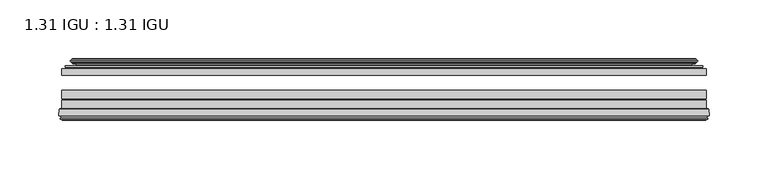
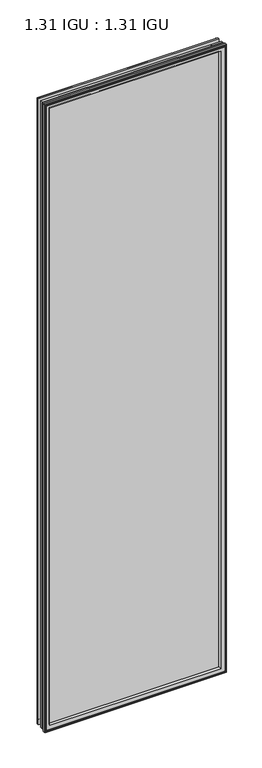
"""IFC4 building model written with IfcOpenShell, lengths in millimetres: plate geometry, 1.31 IGU : 1.31 IGU."""

from ifc_helpers import new_model, si_unit, frame, origin, place, context, project, spatial, polyline, ellipse_curve, outline, extrude, source, transform, mapped, element, save
from ifc_brep_helpers import plane_surface, cylinder_surface, revolved_surface, advanced_brep


def plate_1_31_igu_1_31_igu_1d6c99b7(model_context):
    return source(origin(), model_context, "Body", "SolidModel", [
        extrude(outline(polyline([(274.6325649, -44.8960875), (274.6325649, -50.4332875), (-274.6375, -50.4332875), (-274.6375, -44.8960875), (274.6325649, -44.8960875)])), frame((0.0, 0.0, -14.2875), z_axis=(0.0, 0.0, 1.0), x_axis=(1.0, 0.0, 0.0)), (0.0, 0.0, 1.0), 2009.67848),
        extrude(outline(polyline([(-274.6375, -78.7796875), (-274.6375, -71.7692875), (274.6325649, -71.7692875), (274.6325649, -78.7796875), (-274.6375, -78.7796875)])), frame((0.0, 0.0, -14.2875), z_axis=(0.0, 0.0, 1.0), x_axis=(1.0, 0.0, 0.0)), (0.0, 0.0, 1.0), 2009.67848),
        extrude(outline(polyline([(-274.6375, -70.2452875), (-274.6375, -63.1332875), (274.6325649, -63.1332875), (274.6325649, -70.2452875), (-274.6375, -70.2452875)])), frame((0.0, 0.0, -14.2875), z_axis=(0.0, 0.0, 1.0), x_axis=(1.0, 0.0, 0.0)), (0.0, 0.0, 1.0), 2009.67848),
        advanced_brep(
        [(-277.1844039, -85.1296875, 1997.9378839), (-276.4896201, -79.4711276, 1997.2431001), (-276.4896201, -79.4711276, -16.1396201), (-277.1844039, -85.1296875, -16.8344039), (-274.7968039, -87.1207518, 1995.5502839), (-275.2540039, -85.1296875, 1996.0074839), (-275.2540039, -85.1296875, -14.9040039), (-274.7968039, -87.1207518, -14.4468039), (-275.7981658, -86.8524376, 1996.5516458), (-275.7981658, -86.8524376, -15.4481658), (-276.0414039, -87.7602147, 1996.7948839), (-276.0414039, -87.7602147, -15.6914039), (-274.0094039, -88.3046875, 1994.7628839), (-274.0094039, -88.3046875, -13.6594039), (-271.9774039, -87.7602147, 1992.7308839), (-271.9774039, -87.7602147, -11.6274039), (-272.2206421, -86.8524376, 1992.9741221), (-272.2206421, -86.8524376, -11.8706421), (-273.2220039, -87.1207518, 1993.9754839), (-273.2220039, -87.1207518, -12.8720039), (-272.7648039, -85.1296875, 1993.5182839), (-272.7648039, -85.1296875, -12.4148039), (-275.7080893, -78.7796875, 1996.4615693), (-275.7080893, -78.7796875, -15.3580893), (276.4896201, -79.4711276, -16.1396201), (277.1844039, -85.1296875, -16.8344039), (275.2540039, -85.1296875, -14.9040039), (274.7968039, -87.1207518, -14.4468039), (275.7981658, -86.8524376, -15.4481658), (276.0414039, -87.7602147, -15.6914039), (274.0094039, -88.3046875, -13.6594039), (271.9774039, -87.7602147, -11.6274039), (272.2206421, -86.8524376, -11.8706421), (273.2220039, -87.1207518, -12.8720039), (272.7648039, -85.1296875, -12.4148039), (275.7080893, -78.7796875, -15.3580893), (276.4896201, -79.4711276, 1997.2431001), (277.1844039, -85.1296875, 1997.9378839), (275.2540039, -85.1296875, 1996.0074839), (274.7968039, -87.1207518, 1995.5502839), (275.7981658, -86.8524376, 1996.5516458), (276.0414039, -87.7602147, 1996.7948839), (274.0094039, -88.3046875, 1994.7628839), (271.9774039, -87.7602147, 1992.7308839), (272.2206421, -86.8524376, 1992.9741221), (273.2220039, -87.1207518, 1993.9754839), (272.7648039, -85.1296875, 1993.5182839), (275.7080893, -78.7796875, 1996.4615693), (-260.3622131, -85.1296875, 1981.1156931), (260.3622131, -85.1296875, 1981.1156931), (260.3622131, -85.1296875, -0.0122131), (-260.3622131, -85.1296875, -0.0122131), (-257.0459362, -78.7796875, 3.3040638), (257.0459362, -78.7796875, 3.3040638), (257.0459362, -78.7796875, 1977.7994162), (-257.0459362, -78.7796875, 1977.7994162)],
        [
            (0, 1),
            (1, 2),
            (2, 3),
            (3, 0),
            (4, 5),
            (5, 6),
            (6, 7),
            (7, 4),
            (8, 4),
            (7, 9),
            (9, 8),
            (10, 8),
            (9, 11),
            (11, 10),
            (12, 10),
            (11, 13),
            (13, 12),
            (14, 12),
            (13, 15),
            (15, 14),
            (16, 14),
            (15, 17),
            (17, 16),
            (18, 16),
            (17, 19),
            (19, 18),
            (20, 18),
            (19, 21),
            (21, 20),
            (1, 22, ellipse_curve(frame((-275.7080893, -79.5670875, 1996.4615693), z_axis=(-0.7071067811865475, 0.0, -0.7071067811865475), x_axis=(-0.7071067811865474, 0.0, 0.7071067811865476)), 1.1135518, 0.7874)),
            (22, 23),
            (23, 2, ellipse_curve(frame((-275.7080893, -79.5670875, -15.3580893), z_axis=(-0.7071067811865475, 0.0, 0.7071067811865475), x_axis=(0.7071067811865474, 0.0, 0.7071067811865476)), 1.1135518, 0.7874)),
            (2, 24),
            (24, 25),
            (25, 3),
            (6, 26),
            (26, 27),
            (27, 7),
            (27, 28),
            (28, 9),
            (28, 29),
            (29, 11),
            (29, 30),
            (30, 13),
            (30, 31),
            (31, 15),
            (31, 32),
            (32, 17),
            (32, 33),
            (33, 19),
            (33, 34),
            (34, 21),
            (23, 35),
            (35, 24, ellipse_curve(frame((275.7080893, -79.5670875, -15.3580893), z_axis=(-0.7071067811865475, 0.0, -0.7071067811865475), x_axis=(-0.7071067811865476, 0.0, 0.7071067811865474)), 1.1135518, 0.7874)),
            (24, 36),
            (36, 37),
            (37, 25),
            (26, 38),
            (38, 39),
            (39, 27),
            (39, 40),
            (40, 28),
            (40, 41),
            (41, 29),
            (41, 42),
            (42, 30),
            (42, 43),
            (43, 31),
            (43, 44),
            (44, 32),
            (44, 45),
            (45, 33),
            (45, 46),
            (46, 34),
            (35, 47),
            (47, 36, ellipse_curve(frame((275.7080893, -79.5670875, 1996.4615693), z_axis=(0.7071067811865475, 0.0, -0.7071067811865475), x_axis=(-0.7071067811865474, 0.0, -0.7071067811865476)), 1.1135518, 0.7874)),
            (36, 1),
            (0, 37),
            (5, 38),
            (4, 39),
            (8, 40),
            (10, 41),
            (12, 42),
            (14, 43),
            (16, 44),
            (18, 45),
            (20, 46),
            (48, 49),
            (49, 50),
            (50, 51),
            (51, 48),
            (22, 47),
            (52, 53),
            (53, 54),
            (54, 55),
            (55, 52),
            (55, 48, ellipse_curve(frame((-249.1129182, -86.963653, 1969.8663982), z_axis=(0.7071067811865475, 0.0, 0.7071067811865475), x_axis=(0.7071067811865474, 0.0, -0.7071067811865476)), 16.118937, 11.3978097)),
            (51, 52, ellipse_curve(frame((-249.1129182, -86.963653, 11.2370818), z_axis=(0.7071067811865475, 0.0, -0.7071067811865475), x_axis=(-0.7071067811865474, 0.0, -0.7071067811865476)), 16.118937, 11.3978097)),
            (50, 53, ellipse_curve(frame((249.1129182, -86.963653, 11.2370818), z_axis=(0.7071067811865475, 0.0, 0.7071067811865475), x_axis=(0.7071067811865476, 0.0, -0.7071067811865474)), 16.118937, 11.3978097)),
            (49, 54, ellipse_curve(frame((249.1129182, -86.963653, 1969.8663982), z_axis=(-0.7071067811865475, 0.0, 0.7071067811865475), x_axis=(0.7071067811865474, 0.0, 0.7071067811865476)), 16.118937, 11.3978097)),
        ],
        [
            plane_surface(frame((-276.4896201, -79.4711276, 1997.2431001), z_axis=(-0.9925461516413008, 0.12186934340532068, 0.0), x_axis=(0.0, 0.0, -1.0))),
            plane_surface(frame((-275.2540039, -85.1296875, 1996.0074839), z_axis=(-0.9746347637895997, -0.22380142361654332, 0.0), x_axis=(0.0, 0.0, -1.0))),
            plane_surface(frame((-274.7968039, -87.1207518, 1995.5502839), z_axis=(0.25881904510266784, 0.9659258262890289, 0.0), x_axis=(0.0, 0.0, -1.0))),
            plane_surface(frame((-275.7981658, -86.8524376, 1996.5516458), z_axis=(-0.9659258262890449, 0.2588190451026083, 0.0), x_axis=(0.0, 0.0, -1.0))),
            plane_surface(frame((-276.0414039, -87.7602147, 1996.7948839), z_axis=(-0.2588190451025689, -0.9659258262890554, 0.0), x_axis=(0.0, 0.0, -1.0))),
            plane_surface(frame((-274.0094039, -88.3046875, 1994.7628839), z_axis=(0.25881904510241466, -0.9659258262890968, 0.0), x_axis=(0.0, 0.0, -1.0))),
            plane_surface(frame((-271.9774039, -87.7602147, 1992.7308839), z_axis=(0.9659258262890272, 0.25881904510267406, 0.0), x_axis=(0.0, 0.0, -1.0))),
            plane_surface(frame((-272.2206421, -86.8524376, 1992.9741221), z_axis=(-0.25881904510234177, 0.9659258262891163, 0.0), x_axis=(0.0, 0.0, -1.0))),
            plane_surface(frame((-273.2220039, -87.1207518, 1993.9754839), z_axis=(0.9746347637895936, -0.2238014236165695, 0.0), x_axis=(0.0, 0.0, -1.0))),
            cylinder_surface(frame((-275.7080893, -79.5670875, 2012.85348), z_axis=(0.0, 0.0, 1.0), x_axis=(-1.0, 0.0, 0.0)), 0.7874),
            plane_surface(frame((-276.4896201, -79.4711276, -16.1396201), z_axis=(0.0, 0.12186934340531747, -0.9925461516413012), x_axis=(1.0, 0.0, 0.0))),
            plane_surface(frame((-275.2540039, -85.1296875, -14.9040039), z_axis=(0.0, -0.22380142361654648, -0.9746347637895989), x_axis=(1.0, 0.0, 0.0))),
            plane_surface(frame((-274.7968039, -87.1207518, -14.4468039), z_axis=(0.0, 0.9659258262890298, 0.25881904510266474), x_axis=(1.0, 0.0, 0.0))),
            plane_surface(frame((-275.7981658, -86.8524376, -15.4481658), z_axis=(0.0, 0.25881904510260517, -0.9659258262890458), x_axis=(1.0, 0.0, 0.0))),
            plane_surface(frame((-276.0414039, -87.7602147, -15.6914039), z_axis=(0.0, -0.9659258262890563, -0.2588190451025658), x_axis=(1.0, 0.0, 0.0))),
            plane_surface(frame((-274.0094039, -88.3046875, -13.6594039), z_axis=(0.0, -0.965925826289096, 0.25881904510241777), x_axis=(1.0, 0.0, 0.0))),
            plane_surface(frame((-271.9774039, -87.7602147, -11.6274039), z_axis=(0.0, 0.2588190451026772, 0.9659258262890265), x_axis=(1.0, 0.0, 0.0))),
            plane_surface(frame((-272.2206421, -86.8524376, -11.8706421), z_axis=(0.0, 0.9659258262891154, -0.2588190451023449), x_axis=(1.0, 0.0, 0.0))),
            plane_surface(frame((-273.2220039, -87.1207518, -12.8720039), z_axis=(0.0, -0.22380142361656633, 0.9746347637895943), x_axis=(1.0, 0.0, 0.0))),
            cylinder_surface(frame((-292.1, -79.5670875, -15.3580893), z_axis=(-1.0, 0.0, 0.0), x_axis=(0.0, 0.0, -1.0)), 0.7874),
            plane_surface(frame((276.4896201, -79.4711276, -16.1396201), z_axis=(0.9925461516413017, 0.12186934340531425, 0.0), x_axis=(0.0, 0.0, 1.0))),
            plane_surface(frame((275.2540039, -85.1296875, -14.9040039), z_axis=(0.9746347637895981, -0.22380142361654964, 0.0), x_axis=(0.0, 0.0, 1.0))),
            plane_surface(frame((274.7968039, -87.1207518, -14.4468039), z_axis=(-0.2588190451026616, 0.9659258262890307, 0.0), x_axis=(0.0, 0.0, 1.0))),
            plane_surface(frame((275.7981658, -86.8524376, -15.4481658), z_axis=(0.9659258262890467, 0.25881904510260206, 0.0), x_axis=(0.0, 0.0, 1.0))),
            plane_surface(frame((276.0414039, -87.7602147, -15.6914039), z_axis=(0.2588190451025627, -0.9659258262890572, 0.0), x_axis=(0.0, 0.0, 1.0))),
            plane_surface(frame((274.0094039, -88.3046875, -13.6594039), z_axis=(-0.2588190451024209, -0.9659258262890951, 0.0), x_axis=(0.0, 0.0, 1.0))),
            plane_surface(frame((271.9774039, -87.7602147, -11.6274039), z_axis=(-0.9659258262890256, 0.25881904510268033, 0.0), x_axis=(0.0, 0.0, 1.0))),
            plane_surface(frame((272.2206421, -86.8524376, -11.8706421), z_axis=(0.25881904510234804, 0.9659258262891146, 0.0), x_axis=(0.0, 0.0, 1.0))),
            plane_surface(frame((273.2220039, -87.1207518, -12.8720039), z_axis=(-0.9746347637895951, -0.22380142361656316, 0.0), x_axis=(0.0, 0.0, 1.0))),
            cylinder_surface(frame((275.7080893, -79.5670875, -31.75), z_axis=(0.0, 0.0, -1.0), x_axis=(1.0, 0.0, 0.0)), 0.7874),
            plane_surface(frame((276.4896201, -79.4711276, 1997.2431001), z_axis=(0.0, 0.12186934340531747, 0.9925461516413012), x_axis=(-1.0, 0.0, 0.0))),
            plane_surface(frame((277.1844039, -85.1296875, 1997.9378839), z_axis=(0.0, -1.0, 0.0), x_axis=(-1.0, 0.0, 0.0))),
            plane_surface(frame((275.2540039, -85.1296875, 1996.0074839), z_axis=(0.0, -0.22380142361654648, 0.9746347637895989), x_axis=(-1.0, 0.0, 0.0))),
            plane_surface(frame((274.7968039, -87.1207518, 1995.5502839), z_axis=(0.0, 0.9659258262890298, -0.25881904510266474), x_axis=(-1.0, 0.0, 0.0))),
            plane_surface(frame((275.7981658, -86.8524376, 1996.5516458), z_axis=(0.0, 0.25881904510260517, 0.9659258262890458), x_axis=(-1.0, 0.0, 0.0))),
            plane_surface(frame((276.0414039, -87.7602147, 1996.7948839), z_axis=(0.0, -0.9659258262890563, 0.2588190451025658), x_axis=(-1.0, 0.0, 0.0))),
            plane_surface(frame((274.0094039, -88.3046875, 1994.7628839), z_axis=(0.0, -0.965925826289096, -0.25881904510241777), x_axis=(-1.0, 0.0, 0.0))),
            plane_surface(frame((271.9774039, -87.7602147, 1992.7308839), z_axis=(0.0, 0.2588190451026772, -0.9659258262890265), x_axis=(-1.0, 0.0, 0.0))),
            plane_surface(frame((272.2206421, -86.8524376, 1992.9741221), z_axis=(0.0, 0.9659258262891155, 0.25881904510234494), x_axis=(-1.0, 0.0, 0.0))),
            plane_surface(frame((273.2220039, -87.1207518, 1993.9754839), z_axis=(0.0, -0.22380142361656633, -0.9746347637895943), x_axis=(-1.0, 0.0, 0.0))),
            plane_surface(frame((272.7648039, -85.1296875, 1993.5182839), z_axis=(0.0, -1.0, 0.0), x_axis=(-1.0, 0.0, 0.0))),
            plane_surface(frame((257.0459362, -78.7796875, 1977.7994162), z_axis=(0.0, 1.0, 0.0), x_axis=(-1.0, 0.0, 0.0))),
            cylinder_surface(frame((292.1, -79.5670875, 1996.4615693), z_axis=(1.0, 0.0, 0.0), x_axis=(0.0, 0.0, 1.0)), 0.7874),
            revolved_surface(polyline([(-260.5107279, -86.963653, -0.1607278582187064), (-260.5107279, -86.963653, 1981.2642078582187)]), (-249.1129182, -86.963653, 2012.85348), (0.0, 0.0, -1.0)),
            revolved_surface(polyline([(260.51072785821873, -86.963653, -0.16072789999999948), (-260.51072785821873, -86.963653, -0.16072789999999948)]), (-292.1, -86.963653, 11.2370818), (1.0, 0.0, 0.0)),
            revolved_surface(polyline([(260.5107279, -86.963653, 1981.2642078582187), (260.5107279, -86.963653, -0.16072785821874191)]), (249.1129182, -86.963653, -31.75), (0.0, 0.0, 1.0)),
            revolved_surface(polyline([(-260.51072785821873, -86.963653, 1981.2642079), (260.51072785821873, -86.963653, 1981.2642079)]), (292.1, -86.963653, 1969.8663982), (-1.0, 0.0, 0.0)),
        ],
        [
            (0, [[1, 2, 3, 4]]),
            (1, [[5, 6, 7, 8]]),
            (2, [[9, -8, 10, 11]]),
            (3, [[12, -11, 13, 14]]),
            (4, [[15, -14, 16, 17]]),
            (5, [[18, -17, 19, 20]]),
            (6, [[21, -20, 22, 23]]),
            (7, [[24, -23, 25, 26]]),
            (8, [[27, -26, 28, 29]]),
            (9, [[30, 31, 32, -2]]),
            (10, [[-3, 33, 34, 35]]),
            (11, [[-7, 36, 37, 38]]),
            (12, [[-10, -38, 39, 40]]),
            (13, [[-13, -40, 41, 42]]),
            (14, [[-16, -42, 43, 44]]),
            (15, [[-19, -44, 45, 46]]),
            (16, [[-22, -46, 47, 48]]),
            (17, [[-25, -48, 49, 50]]),
            (18, [[-28, -50, 51, 52]]),
            (19, [[-32, 53, 54, -33]]),
            (20, [[-34, 55, 56, 57]]),
            (21, [[-37, 58, 59, 60]]),
            (22, [[-39, -60, 61, 62]]),
            (23, [[-41, -62, 63, 64]]),
            (24, [[-43, -64, 65, 66]]),
            (25, [[-45, -66, 67, 68]]),
            (26, [[-47, -68, 69, 70]]),
            (27, [[-49, -70, 71, 72]]),
            (28, [[-51, -72, 73, 74]]),
            (29, [[-54, 75, 76, -55]]),
            (30, [[-56, 77, -1, 78]]),
            (31, [[-35, -57, -78, -4], [79, -58, -36, -6]]),
            (32, [[-59, -79, -5, 80]]),
            (33, [[-61, -80, -9, 81]]),
            (34, [[-63, -81, -12, 82]]),
            (35, [[-65, -82, -15, 83]]),
            (36, [[-67, -83, -18, 84]]),
            (37, [[-69, -84, -21, 85]]),
            (38, [[-71, -85, -24, 86]]),
            (39, [[-73, -86, -27, 87]]),
            (40, [[-52, -74, -87, -29], [88, 89, 90, 91]]),
            (41, [[92, -75, -53, -31], [93, 94, 95, 96]]),
            (42, [[-76, -92, -30, -77]]),
            (43, [[97, -91, 98, -96]]),
            (44, [[-98, -90, 99, -93]]),
            (45, [[-99, -89, 100, -94]]),
            (46, [[-100, -88, -97, -95]]),
        ],
    ),
        advanced_brep(
        [(-265.2921755, -37.7373382, 1986.0456555), (-260.3505426, -36.3108875, 1981.1040226), (-260.3505426, -36.3108875, -0.0005426), (-265.2921755, -37.7373382, -4.9421755), (-265.1270702, -36.9605789, 1985.8805502), (-265.1270702, -36.9605789, -4.7770702), (-265.7225559, -36.4771203, 1986.4760359), (-265.7225559, -36.4771203, -5.3725559), (-266.9871917, -37.766076, 1987.7406717), (-266.9871917, -37.766076, -6.6371917), (-266.9763749, -38.8797852, 1987.7298549), (-266.9763749, -38.8797852, -6.6263749), (-265.6948897, -40.1361433, 1986.4483697), (-265.6948897, -40.1361433, -5.3448897), (-265.0898829, -39.649943, 1985.8433629), (-265.0898829, -39.649943, -4.7398829), (-265.6438972, -39.0959287, 1986.3973772), (-265.6438972, -39.0959287, -5.2938972), (-263.3580887, -38.7029881, 1984.1115687), (-263.3580887, -38.7029881, -3.0080887), (-261.8990157, -40.2107282, 1982.6524957), (-261.8990157, -40.2107282, -1.5490157), (-262.1955976, -41.651269, 1982.9490776), (-262.1955976, -41.651269, -1.8455976), (-262.9668221, -42.2798875, 1983.7203021), (-262.9668221, -42.2798875, -2.6168221), (-271.2707984, -43.4871542, 1992.0242784), (-270.9955969, -42.2798875, 1991.7490769), (-270.9955969, -42.2798875, -10.6455969), (-271.2707984, -43.4871542, -10.9207984), (-267.8132297, -44.8960875, 1988.5667097), (-267.8132297, -44.8960875, -7.4632297), (-256.7156059, -44.023302, 1977.4690859), (-257.0709439, -44.8960875, 1977.8244239), (-257.0709439, -44.8960875, 3.2790561), (-256.7156059, -44.023302, 3.6343941), (-257.386804, -43.3681812, 1978.140284), (-257.386804, -43.3681812, 2.963196), (-259.0275946, -40.6686056, 1979.7810746), (-259.0275946, -40.6686056, 1.3224054), (260.3505426, -36.3108875, -0.0005426), (265.2921755, -37.7373382, -4.9421755), (265.1270702, -36.9605789, -4.7770702), (265.7225559, -36.4771203, -5.3725559), (266.9871917, -37.766076, -6.6371917), (266.9763749, -38.8797852, -6.6263749), (265.6948897, -40.1361433, -5.3448897), (265.0898829, -39.649943, -4.7398829), (265.6438972, -39.0959287, -5.2938972), (263.3580887, -38.7029881, -3.0080887), (261.8990157, -40.2107282, -1.5490157), (262.1955976, -41.651269, -1.8455976), (262.9668221, -42.2798875, -2.6168221), (270.9955969, -42.2798875, -10.6455969), (271.2707984, -43.4871542, -10.9207984), (267.8132297, -44.8960875, -7.4632297), (257.0709439, -44.8960875, 3.2790561), (256.7156059, -44.023302, 3.6343941), (257.386804, -43.3681812, 2.963196), (259.0275946, -40.6686056, 1.3224054), (260.3505426, -36.3108875, 1981.1040226), (265.2921755, -37.7373382, 1986.0456555), (265.1270702, -36.9605789, 1985.8805502), (265.7225559, -36.4771203, 1986.4760359), (266.9871917, -37.766076, 1987.7406717), (266.9763749, -38.8797852, 1987.7298549), (265.6948897, -40.1361433, 1986.4483697), (265.0898829, -39.649943, 1985.8433629), (265.6438972, -39.0959287, 1986.3973772), (263.3580887, -38.7029881, 1984.1115687), (261.8990157, -40.2107282, 1982.6524957), (262.1955976, -41.651269, 1982.9490776), (262.9668221, -42.2798875, 1983.7203021), (270.9955969, -42.2798875, 1991.7490769), (271.2707984, -43.4871542, 1992.0242784), (267.8132297, -44.8960875, 1988.5667097), (257.0709439, -44.8960875, 1977.8244239), (256.7156059, -44.023302, 1977.4690859), (257.386804, -43.3681812, 1978.140284), (259.0275946, -40.6686056, 1979.7810746)],
        [
            (0, 1),
            (1, 2),
            (2, 3),
            (3, 0),
            (4, 0),
            (3, 5),
            (5, 4),
            (6, 4, ellipse_curve(frame((-265.4475871, -36.746901, 1986.2010671), z_axis=(-0.7071067811865475, 0.0, -0.7071067811865475), x_axis=(-0.7071067811865474, 0.0, 0.7071067811865476)), 0.5447741, 0.3852135)),
            (5, 7, ellipse_curve(frame((-265.4475871, -36.746901, -5.0975871), z_axis=(-0.7071067811865475, 0.0, 0.7071067811865475), x_axis=(0.7071067811865474, 0.0, 0.7071067811865476)), 0.5447741, 0.3852135)),
            (7, 6),
            (8, 6),
            (7, 9),
            (9, 8),
            (10, 8, ellipse_curve(frame((-266.4251387, -38.3175243, 1987.1786187), z_axis=(-0.7071067811865475, 0.0, -0.7071067811865475), x_axis=(-0.7071067811865474, 0.0, 0.7071067811865476)), 1.1135518, 0.7874)),
            (9, 11, ellipse_curve(frame((-266.4251387, -38.3175243, -6.0751387), z_axis=(-0.7071067811865475, 0.0, 0.7071067811865475), x_axis=(0.7071067811865474, 0.0, 0.7071067811865476)), 1.1135518, 0.7874)),
            (11, 10),
            (12, 10),
            (11, 13),
            (13, 12),
            (14, 12, ellipse_curve(frame((-265.4212922, -39.8570738, 1986.1747722), z_axis=(-0.7071067811865475, 0.0, -0.7071067811865475), x_axis=(-0.7071067811865474, 0.0, 0.7071067811865476)), 0.552694, 0.3908137)),
            (13, 15, ellipse_curve(frame((-265.4212922, -39.8570738, -5.0712922), z_axis=(-0.7071067811865475, 0.0, 0.7071067811865475), x_axis=(0.7071067811865474, 0.0, 0.7071067811865476)), 0.552694, 0.3908137)),
            (15, 14),
            (16, 14),
            (15, 17),
            (17, 16),
            (18, 16),
            (17, 19),
            (19, 18),
            (20, 18, ellipse_curve(frame((-263.1429261, -39.954629, 1983.8964061), z_axis=(0.7071067811865475, 0.0, 0.7071067811865475), x_axis=(0.7071067811865474, 0.0, -0.7071067811865476)), 1.7960512, 1.27)),
            (19, 21, ellipse_curve(frame((-263.1429261, -39.954629, -2.7929261), z_axis=(0.7071067811865475, 0.0, -0.7071067811865475), x_axis=(-0.7071067811865474, 0.0, -0.7071067811865476)), 1.7960512, 1.27)),
            (21, 20),
            (22, 20),
            (21, 23),
            (23, 22),
            (24, 22, ellipse_curve(frame((-262.9668221, -41.4924875, 1983.7203021), z_axis=(0.7071067811865475, 0.0, 0.7071067811865475), x_axis=(0.7071067811865474, 0.0, -0.7071067811865476)), 1.1135518, 0.7874)),
            (23, 25, ellipse_curve(frame((-262.9668221, -41.4924875, -2.6168221), z_axis=(0.7071067811865475, 0.0, -0.7071067811865475), x_axis=(-0.7071067811865474, 0.0, -0.7071067811865476)), 1.1135518, 0.7874)),
            (25, 24),
            (26, 27, ellipse_curve(frame((-270.9955969, -42.9148875, 1991.7490769), z_axis=(-0.7071067811865475, 0.0, -0.7071067811865475), x_axis=(-0.7071067811865474, 0.0, 0.7071067811865476)), 0.8980256, 0.635)),
            (27, 28),
            (28, 29, ellipse_curve(frame((-270.9955969, -42.9148875, -10.6455969), z_axis=(-0.7071067811865475, 0.0, 0.7071067811865475), x_axis=(0.7071067811865474, 0.0, 0.7071067811865476)), 0.8980256, 0.635)),
            (29, 26),
            (30, 26),
            (29, 31),
            (31, 30),
            (32, 33, ellipse_curve(frame((-257.0709439, -44.3873602, 1977.8244239), z_axis=(-0.7071067811865475, 0.0, -0.7071067811865475), x_axis=(-0.7071067811865474, 0.0, 0.7071067811865476)), 0.719449, 0.5087273)),
            (33, 34),
            (34, 35, ellipse_curve(frame((-257.0709439, -44.3873602, 3.2790561), z_axis=(-0.7071067811865475, 0.0, 0.7071067811865475), x_axis=(0.7071067811865474, 0.0, 0.7071067811865476)), 0.719449, 0.5087273)),
            (35, 32),
            (36, 32),
            (35, 37),
            (37, 36),
            (38, 36, ellipse_curve(frame((-252.9514298, -38.823959, 1973.7049098), z_axis=(0.7071067811865475, 0.0, 0.7071067811865475), x_axis=(0.7071067811865474, 0.0, -0.7071067811865476)), 8.9802561, 6.35)),
            (37, 39, ellipse_curve(frame((-252.9514298, -38.823959, 7.3985702), z_axis=(0.7071067811865475, 0.0, -0.7071067811865475), x_axis=(-0.7071067811865474, 0.0, -0.7071067811865476)), 8.9802561, 6.35)),
            (39, 38),
            (1, 38),
            (39, 2),
            (2, 40),
            (40, 41),
            (41, 3),
            (41, 42),
            (42, 5),
            (42, 43, ellipse_curve(frame((265.4475871, -36.746901, -5.0975871), z_axis=(-0.7071067811865475, 0.0, -0.7071067811865475), x_axis=(-0.7071067811865476, 0.0, 0.7071067811865474)), 0.5447741, 0.3852135)),
            (43, 7),
            (43, 44),
            (44, 9),
            (44, 45, ellipse_curve(frame((266.4251387, -38.3175243, -6.0751387), z_axis=(-0.7071067811865475, 0.0, -0.7071067811865475), x_axis=(-0.7071067811865476, 0.0, 0.7071067811865474)), 1.1135518, 0.7874)),
            (45, 11),
            (45, 46),
            (46, 13),
            (46, 47, ellipse_curve(frame((265.4212922, -39.8570738, -5.0712922), z_axis=(-0.7071067811865475, 0.0, -0.7071067811865475), x_axis=(-0.7071067811865476, 0.0, 0.7071067811865474)), 0.552694, 0.3908137)),
            (47, 15),
            (47, 48),
            (48, 17),
            (48, 49),
            (49, 19),
            (49, 50, ellipse_curve(frame((263.1429261, -39.954629, -2.7929261), z_axis=(0.7071067811865475, 0.0, 0.7071067811865475), x_axis=(0.7071067811865476, 0.0, -0.7071067811865474)), 1.7960512, 1.27)),
            (50, 21),
            (50, 51),
            (51, 23),
            (51, 52, ellipse_curve(frame((262.9668221, -41.4924875, -2.6168221), z_axis=(0.7071067811865475, 0.0, 0.7071067811865475), x_axis=(0.7071067811865476, 0.0, -0.7071067811865474)), 1.1135518, 0.7874)),
            (52, 25),
            (28, 53),
            (53, 54, ellipse_curve(frame((270.9955969, -42.9148875, -10.6455969), z_axis=(-0.7071067811865475, 0.0, -0.7071067811865475), x_axis=(-0.7071067811865476, 0.0, 0.7071067811865474)), 0.8980256, 0.635)),
            (54, 29),
            (54, 55),
            (55, 31),
            (34, 56),
            (56, 57, ellipse_curve(frame((257.0709439, -44.3873602, 3.2790561), z_axis=(-0.7071067811865475, 0.0, -0.7071067811865475), x_axis=(-0.7071067811865476, 0.0, 0.7071067811865474)), 0.719449, 0.5087273)),
            (57, 35),
            (57, 58),
            (58, 37),
            (58, 59, ellipse_curve(frame((252.9514298, -38.823959, 7.3985702), z_axis=(0.7071067811865475, 0.0, 0.7071067811865475), x_axis=(0.7071067811865476, 0.0, -0.7071067811865474)), 8.9802561, 6.35)),
            (59, 39),
            (59, 40),
            (40, 60),
            (60, 61),
            (61, 41),
            (61, 62),
            (62, 42),
            (62, 63, ellipse_curve(frame((265.4475871, -36.746901, 1986.2010671), z_axis=(0.7071067811865475, 0.0, -0.7071067811865475), x_axis=(-0.7071067811865474, 0.0, -0.7071067811865476)), 0.5447741, 0.3852135)),
            (63, 43),
            (63, 64),
            (64, 44),
            (64, 65, ellipse_curve(frame((266.4251387, -38.3175243, 1987.1786187), z_axis=(0.7071067811865475, 0.0, -0.7071067811865475), x_axis=(-0.7071067811865474, 0.0, -0.7071067811865476)), 1.1135518, 0.7874)),
            (65, 45),
            (65, 66),
            (66, 46),
            (66, 67, ellipse_curve(frame((265.4212922, -39.8570738, 1986.1747722), z_axis=(0.7071067811865475, 0.0, -0.7071067811865475), x_axis=(-0.7071067811865474, 0.0, -0.7071067811865476)), 0.552694, 0.3908137)),
            (67, 47),
            (67, 68),
            (68, 48),
            (68, 69),
            (69, 49),
            (69, 70, ellipse_curve(frame((263.1429261, -39.954629, 1983.8964061), z_axis=(-0.7071067811865475, 0.0, 0.7071067811865475), x_axis=(0.7071067811865474, 0.0, 0.7071067811865476)), 1.7960512, 1.27)),
            (70, 50),
            (70, 71),
            (71, 51),
            (71, 72, ellipse_curve(frame((262.9668221, -41.4924875, 1983.7203021), z_axis=(-0.7071067811865475, 0.0, 0.7071067811865475), x_axis=(0.7071067811865474, 0.0, 0.7071067811865476)), 1.1135518, 0.7874)),
            (72, 52),
            (53, 73),
            (73, 74, ellipse_curve(frame((270.9955969, -42.9148875, 1991.7490769), z_axis=(0.7071067811865475, 0.0, -0.7071067811865475), x_axis=(-0.7071067811865474, 0.0, -0.7071067811865476)), 0.8980256, 0.635)),
            (74, 54),
            (74, 75),
            (75, 55),
            (56, 76),
            (76, 77, ellipse_curve(frame((257.0709439, -44.3873602, 1977.8244239), z_axis=(0.7071067811865475, 0.0, -0.7071067811865475), x_axis=(-0.7071067811865474, 0.0, -0.7071067811865476)), 0.719449, 0.5087273)),
            (77, 57),
            (77, 78),
            (78, 58),
            (78, 79, ellipse_curve(frame((252.9514298, -38.823959, 1973.7049098), z_axis=(-0.7071067811865475, 0.0, 0.7071067811865475), x_axis=(0.7071067811865474, 0.0, 0.7071067811865476)), 8.9802561, 6.35)),
            (79, 59),
            (79, 60),
            (60, 1),
            (0, 61),
            (4, 62),
            (6, 63),
            (8, 64),
            (10, 65),
            (12, 66),
            (14, 67),
            (16, 68),
            (18, 69),
            (20, 70),
            (22, 71),
            (24, 72),
            (27, 73),
            (26, 74),
            (30, 75),
            (33, 76),
            (32, 77),
            (36, 78),
            (38, 79),
        ],
        [
            plane_surface(frame((-260.3505426, -36.3108875, 1981.1040226), z_axis=(-0.27733649284928463, 0.9607728502273879, 0.0), x_axis=(0.0, 0.0, -1.0))),
            plane_surface(frame((-265.2921755, -37.7373382, 1986.0456555), z_axis=(0.9781476007338358, -0.2079116908176177, 0.0), x_axis=(0.0, 0.0, -1.0))),
            cylinder_surface(frame((-265.4475871, -36.746901, 2012.85348), z_axis=(0.0, 0.0, 1.0), x_axis=(-1.0, 0.0, 0.0)), 0.3852135),
            plane_surface(frame((-265.7225559, -36.4771203, 1986.4760359), z_axis=(-0.7138087599382162, 0.7003406701280928, 0.0), x_axis=(0.0, 0.0, -1.0))),
            cylinder_surface(frame((-266.4251387, -38.3175243, 2012.85348), z_axis=(0.0, 0.0, 1.0), x_axis=(-1.0, 0.0, 0.0)), 0.7874),
            plane_surface(frame((-266.9763749, -38.8797852, 1987.7298549), z_axis=(-0.7000714109283732, -0.7140728391423082, 0.0), x_axis=(0.0, 0.0, -1.0))),
            cylinder_surface(frame((-265.4212922, -39.8570738, 2012.85348), z_axis=(0.0, 0.0, 1.0), x_axis=(-1.0, 0.0, 0.0)), 0.3908137),
            plane_surface(frame((-265.0898829, -39.649943, 1985.8433629), z_axis=(0.7071067811861126, 0.7071067811869826, 0.0), x_axis=(0.0, 0.0, -1.0))),
            plane_surface(frame((-265.6438972, -39.0959287, 1986.3973772), z_axis=(0.16941940671011482, -0.9855440449974789, 0.0), x_axis=(0.0, 0.0, -1.0))),
            revolved_surface(polyline([(-264.4129261, -39.954629, -4.062926082878221), (-264.4129261, -39.954629, 1985.1664060828782)]), (-263.1429261, -39.954629, 2012.85348), (0.0, 0.0, -1.0)),
            plane_surface(frame((-261.8990157, -40.2107282, 1982.6524957), z_axis=(-0.9794570432566897, 0.201652920670302, 0.0), x_axis=(0.0, 0.0, -1.0))),
            revolved_surface(polyline([(-263.7542221, -41.4924875, -3.4042221289826102), (-263.7542221, -41.4924875, 1984.5077021289826)]), (-262.9668221, -41.4924875, 2012.85348), (0.0, 0.0, -1.0)),
            cylinder_surface(frame((-270.9955969, -42.9148875, 2012.85348), z_axis=(0.0, 0.0, 1.0), x_axis=(-1.0, 0.0, 0.0)), 0.635),
            plane_surface(frame((-271.2707984, -43.4871542, 1992.0242784), z_axis=(-0.37736447542757934, -0.9260648209954139, 0.0), x_axis=(0.0, 0.0, -1.0))),
            cylinder_surface(frame((-257.0709439, -44.3873602, 2012.85348), z_axis=(0.0, 0.0, 1.0), x_axis=(-1.0, 0.0, 0.0)), 0.5087273),
            plane_surface(frame((-256.7156059, -44.023302, 1977.4690859), z_axis=(0.698484125849927, 0.7156255486884628, 0.0), x_axis=(0.0, 0.0, -1.0))),
            revolved_surface(polyline([(-259.3014298, -38.823959, 1.0485702148980636), (-259.3014298, -38.823959, 1980.054909785102)]), (-252.9514298, -38.823959, 2012.85348), (0.0, 0.0, -1.0)),
            plane_surface(frame((-259.0275946, -40.6686056, 1979.7810746), z_axis=(0.9568763473517009, 0.2904955350411895, 0.0), x_axis=(0.0, 0.0, -1.0))),
            plane_surface(frame((-260.3505426, -36.3108875, -0.0005426), z_axis=(0.0, 0.960772850227387, -0.27733649284928774), x_axis=(1.0, 0.0, 0.0))),
            plane_surface(frame((-265.2921755, -37.7373382, -4.9421755), z_axis=(0.0, -0.20791169081761454, 0.9781476007338364), x_axis=(1.0, 0.0, 0.0))),
            cylinder_surface(frame((-292.1, -36.746901, -5.0975871), z_axis=(-1.0, 0.0, 0.0), x_axis=(0.0, 0.0, -1.0)), 0.3852135),
            plane_surface(frame((-265.7225559, -36.4771203, -5.3725559), z_axis=(0.0, 0.7003406701280904, -0.7138087599382185), x_axis=(1.0, 0.0, 0.0))),
            cylinder_surface(frame((-292.1, -38.3175243, -6.0751387), z_axis=(-1.0, 0.0, 0.0), x_axis=(0.0, 0.0, -1.0)), 0.7874),
            plane_surface(frame((-266.9763749, -38.8797852, -6.6263749), z_axis=(0.0, -0.7140728391423105, -0.7000714109283709), x_axis=(1.0, 0.0, 0.0))),
            cylinder_surface(frame((-292.1, -39.8570738, -5.0712922), z_axis=(-1.0, 0.0, 0.0), x_axis=(0.0, 0.0, -1.0)), 0.3908137),
            plane_surface(frame((-265.0898829, -39.649943, -4.7398829), z_axis=(0.0, 0.7071067811869849, 0.7071067811861103), x_axis=(1.0, 0.0, 0.0))),
            plane_surface(frame((-265.6438972, -39.0959287, -5.2938972), z_axis=(0.0, -0.9855440449974784, 0.16941940671011801), x_axis=(1.0, 0.0, 0.0))),
            revolved_surface(polyline([(264.41292608287824, -39.954629, -4.0629261), (-264.41292608287824, -39.954629, -4.0629261)]), (-292.1, -39.954629, -2.7929261), (1.0, 0.0, 0.0)),
            plane_surface(frame((-261.8990157, -40.2107282, -1.5490157), z_axis=(0.0, 0.20165292067029883, -0.9794570432566904), x_axis=(1.0, 0.0, 0.0))),
            revolved_surface(polyline([(263.7542221289825, -41.4924875, -3.4042220999999997), (-263.75422212898246, -41.4924875, -3.4042220999999997)]), (-292.1, -41.4924875, -2.6168221), (1.0, 0.0, 0.0)),
            cylinder_surface(frame((-292.1, -42.9148875, -10.6455969), z_axis=(-1.0, 0.0, 0.0), x_axis=(0.0, 0.0, -1.0)), 0.635),
            plane_surface(frame((-271.2707984, -43.4871542, -10.9207984), z_axis=(0.0, -0.9260648209954151, -0.37736447542757634), x_axis=(1.0, 0.0, 0.0))),
            cylinder_surface(frame((-292.1, -44.3873602, 3.2790561), z_axis=(-1.0, 0.0, 0.0), x_axis=(0.0, 0.0, -1.0)), 0.5087273),
            plane_surface(frame((-256.7156059, -44.023302, 3.6343941), z_axis=(0.0, 0.7156255486884651, 0.6984841258499247), x_axis=(1.0, 0.0, 0.0))),
            revolved_surface(polyline([(259.30142978510185, -38.823959, 1.0485702000000003), (-259.30142978510185, -38.823959, 1.0485702000000003)]), (-292.1, -38.823959, 7.3985702), (1.0, 0.0, 0.0)),
            plane_surface(frame((-259.0275946, -40.6686056, 1.3224054), z_axis=(0.0, 0.29049553504119263, 0.9568763473517), x_axis=(1.0, 0.0, 0.0))),
            plane_surface(frame((260.3505426, -36.3108875, -0.0005426), z_axis=(0.27733649284929085, 0.9607728502273861, 0.0), x_axis=(0.0, 0.0, 1.0))),
            plane_surface(frame((265.2921755, -37.7373382, -4.9421755), z_axis=(-0.9781476007338371, -0.20791169081761138, 0.0), x_axis=(0.0, 0.0, 1.0))),
            cylinder_surface(frame((265.4475871, -36.746901, -31.75), z_axis=(0.0, 0.0, -1.0), x_axis=(1.0, 0.0, 0.0)), 0.3852135),
            plane_surface(frame((265.7225559, -36.4771203, -5.3725559), z_axis=(0.7138087599382208, 0.7003406701280882, 0.0), x_axis=(0.0, 0.0, 1.0))),
            cylinder_surface(frame((266.4251387, -38.3175243, -31.75), z_axis=(0.0, 0.0, -1.0), x_axis=(1.0, 0.0, 0.0)), 0.7874),
            plane_surface(frame((266.9763749, -38.8797852, -6.6263749), z_axis=(0.7000714109283687, -0.7140728391423128, 0.0), x_axis=(0.0, 0.0, 1.0))),
            cylinder_surface(frame((265.4212922, -39.8570738, -31.75), z_axis=(0.0, 0.0, -1.0), x_axis=(1.0, 0.0, 0.0)), 0.3908137),
            plane_surface(frame((265.0898829, -39.649943, -4.7398829), z_axis=(-0.7071067811861079, 0.7071067811869872, 0.0), x_axis=(0.0, 0.0, 1.0))),
            plane_surface(frame((265.6438972, -39.0959287, -5.2938972), z_axis=(-0.1694194067101212, -0.9855440449974778, 0.0), x_axis=(0.0, 0.0, 1.0))),
            revolved_surface(polyline([(264.4129261, -39.954629, 1985.1664060828782), (264.4129261, -39.954629, -4.062926082878235)]), (263.1429261, -39.954629, -31.75), (0.0, 0.0, 1.0)),
            plane_surface(frame((261.8990157, -40.2107282, -1.5490157), z_axis=(0.979457043256691, 0.20165292067029567, 0.0), x_axis=(0.0, 0.0, 1.0))),
            revolved_surface(polyline([(263.7542221, -41.4924875, 1984.5077021289826), (263.7542221, -41.4924875, -3.404222128982486)]), (262.9668221, -41.4924875, -31.75), (0.0, 0.0, 1.0)),
            cylinder_surface(frame((270.9955969, -42.9148875, -31.75), z_axis=(0.0, 0.0, -1.0), x_axis=(1.0, 0.0, 0.0)), 0.635),
            plane_surface(frame((271.2707984, -43.4871542, -10.9207984), z_axis=(0.37736447542757334, -0.9260648209954163, 0.0), x_axis=(0.0, 0.0, 1.0))),
            cylinder_surface(frame((257.0709439, -44.3873602, -31.75), z_axis=(0.0, 0.0, -1.0), x_axis=(1.0, 0.0, 0.0)), 0.5087273),
            plane_surface(frame((256.7156059, -44.023302, 3.6343941), z_axis=(-0.6984841258499224, 0.7156255486884673, 0.0), x_axis=(0.0, 0.0, 1.0))),
            revolved_surface(polyline([(259.3014298, -38.823959, 1980.054909785102), (259.3014298, -38.823959, 1.0485702148981417)]), (252.9514298, -38.823959, -31.75), (0.0, 0.0, 1.0)),
            plane_surface(frame((259.0275946, -40.6686056, 1.3224054), z_axis=(-0.9568763473516991, 0.29049553504119574, 0.0), x_axis=(0.0, 0.0, 1.0))),
            plane_surface(frame((260.3505426, -36.3108875, 1981.1040226), z_axis=(0.0, 0.960772850227387, 0.27733649284928774), x_axis=(-1.0, 0.0, 0.0))),
            plane_surface(frame((265.2921755, -37.7373382, 1986.0456555), z_axis=(0.0, -0.20791169081761454, -0.9781476007338364), x_axis=(-1.0, 0.0, 0.0))),
            cylinder_surface(frame((292.1, -36.746901, 1986.2010671), z_axis=(1.0, 0.0, 0.0), x_axis=(0.0, 0.0, 1.0)), 0.3852135),
            plane_surface(frame((265.7225559, -36.4771203, 1986.4760359), z_axis=(0.0, 0.7003406701280904, 0.7138087599382185), x_axis=(-1.0, 0.0, 0.0))),
            cylinder_surface(frame((292.1, -38.3175243, 1987.1786187), z_axis=(1.0, 0.0, 0.0), x_axis=(0.0, 0.0, 1.0)), 0.7874),
            plane_surface(frame((266.9763749, -38.8797852, 1987.7298549), z_axis=(0.0, -0.7140728391423106, 0.700071410928371), x_axis=(-1.0, 0.0, 0.0))),
            cylinder_surface(frame((292.1, -39.8570738, 1986.1747722), z_axis=(1.0, 0.0, 0.0), x_axis=(0.0, 0.0, 1.0)), 0.3908137),
            plane_surface(frame((265.0898829, -39.649943, 1985.8433629), z_axis=(0.0, 0.7071067811869849, -0.7071067811861103), x_axis=(-1.0, 0.0, 0.0))),
            plane_surface(frame((265.6438972, -39.0959287, 1986.3973772), z_axis=(0.0, -0.9855440449974784, -0.16941940671011801), x_axis=(-1.0, 0.0, 0.0))),
            revolved_surface(polyline([(-264.41292608287824, -39.954629, 1985.1664061), (264.41292608287824, -39.954629, 1985.1664061)]), (292.1, -39.954629, 1983.8964061), (-1.0, 0.0, 0.0)),
            plane_surface(frame((261.8990157, -40.2107282, 1982.6524957), z_axis=(0.0, 0.20165292067029883, 0.9794570432566904), x_axis=(-1.0, 0.0, 0.0))),
            revolved_surface(polyline([(-263.7542221289825, -41.4924875, 1984.5077021), (263.75422212898246, -41.4924875, 1984.5077021)]), (292.1, -41.4924875, 1983.7203021), (-1.0, 0.0, 0.0)),
            plane_surface(frame((262.9668221, -42.2798875, 1983.7203021), z_axis=(0.0, 1.0, 0.0), x_axis=(-1.0, 0.0, 0.0))),
            cylinder_surface(frame((292.1, -42.9148875, 1991.7490769), z_axis=(1.0, 0.0, 0.0), x_axis=(0.0, 0.0, 1.0)), 0.635),
            plane_surface(frame((271.2707984, -43.4871542, 1992.0242784), z_axis=(0.0, -0.9260648209954151, 0.37736447542757634), x_axis=(-1.0, 0.0, 0.0))),
            plane_surface(frame((267.8132297, -44.8960875, 1988.5667097), z_axis=(0.0, -1.0, 0.0), x_axis=(-1.0, 0.0, 0.0))),
            cylinder_surface(frame((292.1, -44.3873602, 1977.8244239), z_axis=(1.0, 0.0, 0.0), x_axis=(0.0, 0.0, 1.0)), 0.5087273),
            plane_surface(frame((256.7156059, -44.023302, 1977.4690859), z_axis=(0.0, 0.7156255486884651, -0.6984841258499247), x_axis=(-1.0, 0.0, 0.0))),
            revolved_surface(polyline([(-259.30142978510185, -38.823959, 1980.0549098), (259.30142978510185, -38.823959, 1980.0549098)]), (292.1, -38.823959, 1973.7049098), (-1.0, 0.0, 0.0)),
            plane_surface(frame((259.0275946, -40.6686056, 1979.7810746), z_axis=(0.0, 0.29049553504119263, -0.9568763473517), x_axis=(-1.0, 0.0, 0.0))),
        ],
        [
            (0, [[1, 2, 3, 4]]),
            (1, [[5, -4, 6, 7]]),
            (2, [[8, -7, 9, 10]]),
            (3, [[11, -10, 12, 13]]),
            (4, [[14, -13, 15, 16]]),
            (5, [[17, -16, 18, 19]]),
            (6, [[20, -19, 21, 22]]),
            (7, [[23, -22, 24, 25]]),
            (8, [[26, -25, 27, 28]]),
            (9, [[29, -28, 30, 31]]),
            (10, [[32, -31, 33, 34]]),
            (11, [[35, -34, 36, 37]]),
            (12, [[38, 39, 40, 41]]),
            (13, [[42, -41, 43, 44]]),
            (14, [[45, 46, 47, 48]]),
            (15, [[49, -48, 50, 51]]),
            (16, [[52, -51, 53, 54]]),
            (17, [[55, -54, 56, -2]]),
            (18, [[-3, 57, 58, 59]]),
            (19, [[-6, -59, 60, 61]]),
            (20, [[-9, -61, 62, 63]]),
            (21, [[-12, -63, 64, 65]]),
            (22, [[-15, -65, 66, 67]]),
            (23, [[-18, -67, 68, 69]]),
            (24, [[-21, -69, 70, 71]]),
            (25, [[-24, -71, 72, 73]]),
            (26, [[-27, -73, 74, 75]]),
            (27, [[-30, -75, 76, 77]]),
            (28, [[-33, -77, 78, 79]]),
            (29, [[-36, -79, 80, 81]]),
            (30, [[-40, 82, 83, 84]]),
            (31, [[-43, -84, 85, 86]]),
            (32, [[-47, 87, 88, 89]]),
            (33, [[-50, -89, 90, 91]]),
            (34, [[-53, -91, 92, 93]]),
            (35, [[-56, -93, 94, -57]]),
            (36, [[-58, 95, 96, 97]]),
            (37, [[-60, -97, 98, 99]]),
            (38, [[-62, -99, 100, 101]]),
            (39, [[-64, -101, 102, 103]]),
            (40, [[-66, -103, 104, 105]]),
            (41, [[-68, -105, 106, 107]]),
            (42, [[-70, -107, 108, 109]]),
            (43, [[-72, -109, 110, 111]]),
            (44, [[-74, -111, 112, 113]]),
            (45, [[-76, -113, 114, 115]]),
            (46, [[-78, -115, 116, 117]]),
            (47, [[-80, -117, 118, 119]]),
            (48, [[-83, 120, 121, 122]]),
            (49, [[-85, -122, 123, 124]]),
            (50, [[-88, 125, 126, 127]]),
            (51, [[-90, -127, 128, 129]]),
            (52, [[-92, -129, 130, 131]]),
            (53, [[-94, -131, 132, -95]]),
            (54, [[-96, 133, -1, 134]]),
            (55, [[-98, -134, -5, 135]]),
            (56, [[-100, -135, -8, 136]]),
            (57, [[-102, -136, -11, 137]]),
            (58, [[-104, -137, -14, 138]]),
            (59, [[-106, -138, -17, 139]]),
            (60, [[-108, -139, -20, 140]]),
            (61, [[-110, -140, -23, 141]]),
            (62, [[-112, -141, -26, 142]]),
            (63, [[-114, -142, -29, 143]]),
            (64, [[-116, -143, -32, 144]]),
            (65, [[-118, -144, -35, 145]]),
            (66, [[146, -120, -82, -39], [-81, -119, -145, -37]]),
            (67, [[-121, -146, -38, 147]]),
            (68, [[-123, -147, -42, 148]]),
            (69, [[-86, -124, -148, -44], [149, -125, -87, -46]]),
            (70, [[-126, -149, -45, 150]]),
            (71, [[-128, -150, -49, 151]]),
            (72, [[-130, -151, -52, 152]]),
            (73, [[-132, -152, -55, -133]]),
        ],
    ),
    ])


if __name__ == "__main__":
    model = new_model("IFC4")
    model_context = context("Model", 3, world=origin())
    ifc_project = project(units=[si_unit("LENGTHUNIT", "METRE", prefix="MILLI")], contexts=[model_context])
    site = spatial("IfcSite", under=ifc_project)
    building = spatial("IfcBuilding", under=site)
    placement = place(None, origin())
    plate_1_31_igu_1_31_igu_shape = plate_1_31_igu_1_31_igu_1d6c99b7(model_context)
    element("IfcPlate", 1, ObjectType="1.31 IGU : 1.31 IGU", at=placement, inside=building, context=model_context, shape_type="MappedRepresentation", body=[
        mapped(plate_1_31_igu_1_31_igu_shape, transform((0.0, 0.0, 0.0), x_axis=(1.0, 0.0, 0.0), y_axis=(0.0, 1.0, 0.0), z_axis=(0.0, 0.0, 1.0))),
    ])
    save(model, "model.ifc")
